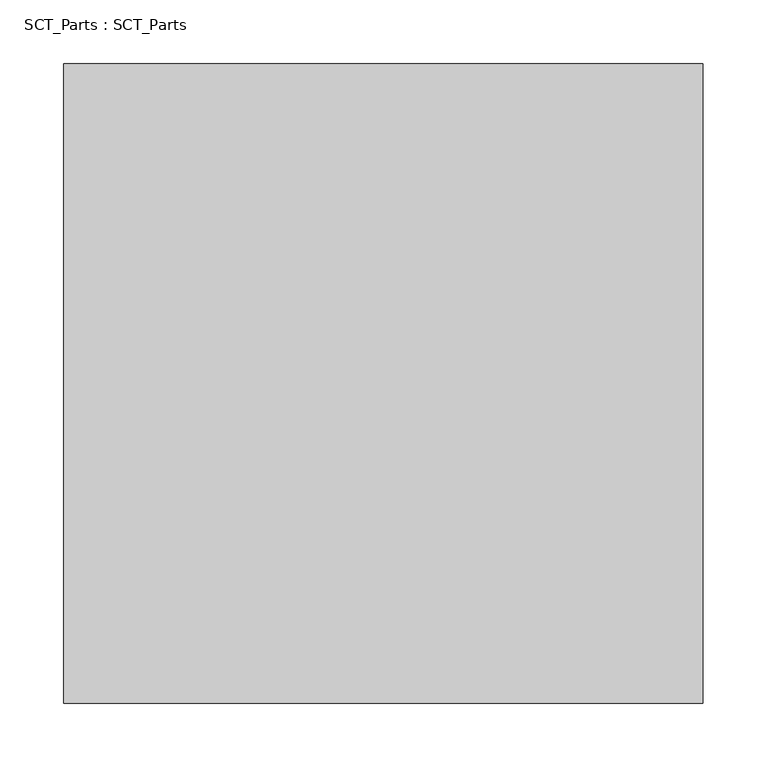
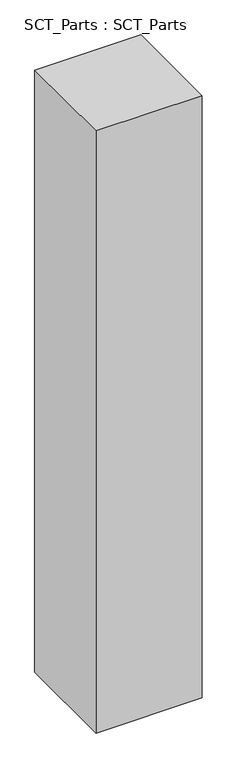
"""IFC4 building model written with IfcOpenShell, lengths in millimetres: proxy geometry, SCT_Parts : SCT_Parts."""

from ifc_helpers import new_model, si_unit, frame, origin, place, context, project, spatial, polyline, outline, extrude, source, transform, mapped, element, save


def sct_parts_sct_parts_0462b378(model_context):
    return source(origin(), model_context, "Body", "SweptSolid", [
        extrude(outline(polyline([(500.0, 500.0), (500.0, 0.0), (0.0, 0.0), (0.0, 500.0), (500.0, 500.0)])), frame((0.0, 0.0, 4000.0), z_axis=(0.0, 0.0, 1.0), x_axis=(1.0, 0.0, 0.0)), (0.0, 0.0, 1.0), 3000.0),
    ])


if __name__ == "__main__":
    model = new_model("IFC4")
    model_context = context("Model", 3, world=origin())
    ifc_project = project(units=[si_unit("LENGTHUNIT", "METRE", prefix="MILLI")], contexts=[model_context])
    site = spatial("IfcSite", under=ifc_project)
    building = spatial("IfcBuilding", under=site)
    placement = place(None, origin())
    sct_parts_sct_parts_shape = sct_parts_sct_parts_0462b378(model_context)
    element("IfcBuildingElementProxy", 1, Name="SCT_Parts : SCT_Parts", ObjectType="SCT_Parts : SCT_Parts", at=placement, inside=building, context=model_context, shape_type="MappedRepresentation", body=[
        mapped(sct_parts_sct_parts_shape, transform((0.0, 0.0, 0.0), x_axis=(1.0, 0.0, 0.0), y_axis=(0.0, 1.0, 0.0), z_axis=(0.0, 0.0, 1.0))),
    ])
    save(model, "model.ifc")
